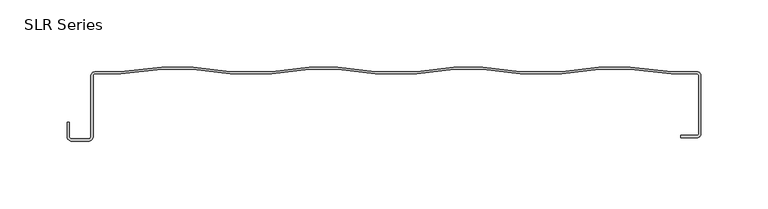
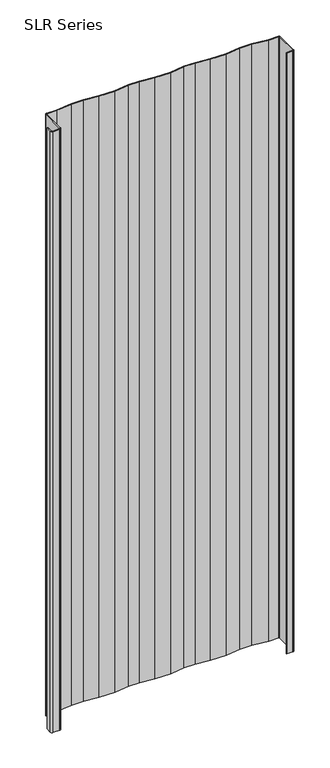
"""IFC4 building model written with IfcOpenShell, lengths in millimetres: plate geometry, SLR Series."""

from ifc_helpers import new_model, si_unit, point, frame_2d, origin, origin_with_axes, place, context, project, spatial, polyline, circle_curve, trimmed, segment, composite_curve, outline, extrude, source, transform, mapped, element, save


def slr_series_4fbea1ba(model_context):
    return source(origin(), model_context, "Body", "SweptSolid", [
        extrude(outline(composite_curve([segment(trimmed(circle_curve(frame_2d((-222.0953572, -6.1269066)), 1.1123332), [point((-222.0953572, -5.0145733))], [point((-223.2076904, -6.1269066))], True, "CARTESIAN"), True, "CONTINUOUS"), segment(polyline([(-223.2076904, -6.1269066), (-223.2076904, -51.601347)]), True, "CONTINUOUS"), segment(trimmed(circle_curve(frame_2d((-226.7400509, -51.601347)), 3.5323605), [point((-223.2076904, -51.601347))], [point((-226.7400509, -55.1337075))], False, "CARTESIAN"), True, "CONTINUOUS"), segment(polyline([(-226.7400509, -55.1337075), (-239.1259008, -55.1337075)]), True, "CONTINUOUS"), segment(trimmed(circle_curve(frame_2d((-239.1259008, -51.601347)), 3.5323605), [point((-239.1259008, -55.1337075))], [point((-242.6582613, -51.601347))], False, "CARTESIAN"), True, "CONTINUOUS"), segment(polyline([(-242.6582613, -51.601347), (-242.6582613, -41.1948398), (-241.0741645, -41.1948398), (-241.0741645, -51.5624981)]), True, "CONTINUOUS"), segment(trimmed(circle_curve(frame_2d((-239.1414404, -51.5624981)), 1.9327241), [point((-241.0741645, -51.5624981))], [point((-239.1414404, -53.4952222))], True, "CARTESIAN"), True, "CONTINUOUS"), segment(polyline([(-239.1414404, -53.4952222), (-226.9051586, -53.4952222)]), True, "CONTINUOUS"), segment(trimmed(circle_curve(frame_2d((-226.9051586, -51.6829296)), 1.8122926), [point((-226.9051586, -53.4952222))], [point((-225.092866, -51.6829296))], True, "CARTESIAN"), True, "CONTINUOUS"), segment(polyline([(-225.092866, -51.6829296), (-225.092866, -6.8561803)]), True, "CONTINUOUS"), segment(trimmed(circle_curve(frame_2d((-221.6826785, -6.8561803)), 3.4101875), [point((-225.092866, -6.8561803))], [point((-222.0953572, -3.4710547))], False, "CARTESIAN"), True, "CONTINUOUS"), segment(polyline([(-222.0953572, -3.4710547), (-203.2256453, -3.4710547), (-172.2533237, 0.0), (-148.8734036, -0.0030647), (-121.1047748, -3.4710547), (-90.2223727, -3.4710547), (-62.4539347, 0.0), (-40.9406061, 0.0), (-13.1721681, -3.4710547), (17.7102339, -3.4710547), (45.4786719, 0.0), (66.9920006, 0.0), (94.7604386, -3.4710547), (125.6428406, -3.4710547), (153.4114694, -0.0030647), (176.7913896, 0.0), (207.7637112, -3.4710547), (226.4777833, -3.4710547)]), True, "CONTINUOUS"), segment(trimmed(circle_curve(frame_2d((226.4777833, -6.3432713)), 2.8722166), [point((226.4777833, -3.4710547))], [point((229.3499998, -6.3432713))], False, "CARTESIAN"), True, "CONTINUOUS"), segment(polyline([(229.3499998, -6.3432713), (229.3499998, -49.7049322)]), True, "CONTINUOUS"), segment(trimmed(circle_curve(frame_2d((226.5762297, -49.7049322)), 2.7737702), [point((229.3499998, -49.7049322))], [point((226.5762297, -52.4787023))], False, "CARTESIAN"), True, "CONTINUOUS"), segment(polyline([(226.5762297, -52.4787023), (214.496908, -52.4787023), (214.496908, -50.860968), (226.5762297, -50.860968)]), True, "CONTINUOUS"), segment(trimmed(circle_curve(frame_2d((226.5762297, -49.7049322)), 1.1560358), [point((226.5762297, -50.860968))], [point((227.7322655, -49.7049322))], True, "CARTESIAN"), True, "CONTINUOUS"), segment(polyline([(227.7322655, -49.7049322), (227.7322655, -6.2992899)]), True, "CONTINUOUS"), segment(trimmed(circle_curve(frame_2d((226.4475489, -6.2992899)), 1.2847166), [point((227.7322655, -6.2992899))], [point((226.4475489, -5.0145733))], True, "CARTESIAN"), True, "CONTINUOUS"), segment(polyline([(226.4475489, -5.0145733), (207.3579979, -5.0145733), (176.7271876, -1.5435186), (153.5073746, -1.5435186), (125.7389366, -5.0145733), (94.6643426, -5.0145733), (66.8959046, -1.5435186), (45.5747679, -1.5435186), (17.8063299, -5.0145733), (-13.2682641, -5.0145733), (-41.0367021, -1.5435186), (-62.3578388, -1.5435186), (-90.1262768, -5.0145733), (-121.2008707, -5.0145733), (-148.9693087, -1.5435186), (-172.1891217, -1.5435186), (-202.8199321, -5.0145733), (-222.0953572, -5.0145733)]), True, "CONTINUOUS")], self_intersect=False)), origin_with_axes(), (0.0, 0.0, 1.0), 1228.3559792),
    ])


if __name__ == "__main__":
    model = new_model("IFC4")
    model_context = context("Model", 3, world=origin())
    ifc_project = project(units=[si_unit("LENGTHUNIT", "METRE", prefix="MILLI")], contexts=[model_context])
    site = spatial("IfcSite", under=ifc_project)
    building = spatial("IfcBuilding", under=site)
    placement = place(None, origin())
    slr_series_shape = slr_series_4fbea1ba(model_context)
    element("IfcPlate", 1, ObjectType="SLR Series", at=placement, inside=building, context=model_context, shape_type="MappedRepresentation", body=[
        mapped(slr_series_shape, transform((0.0, 0.0, 0.0), x_axis=(1.0, 0.0, 0.0), y_axis=(0.0, 1.0, 0.0), z_axis=(0.0, 0.0, 1.0))),
    ])
    save(model, "model.ifc")
